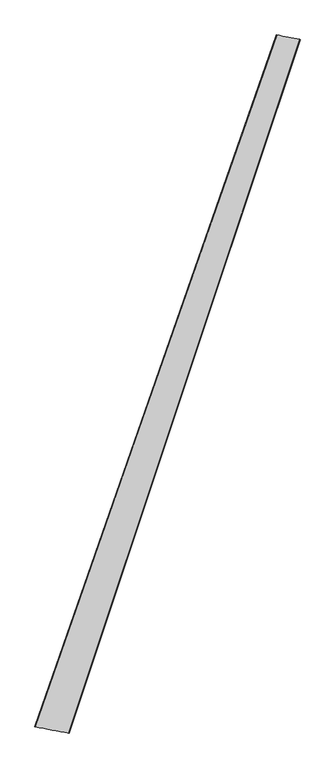
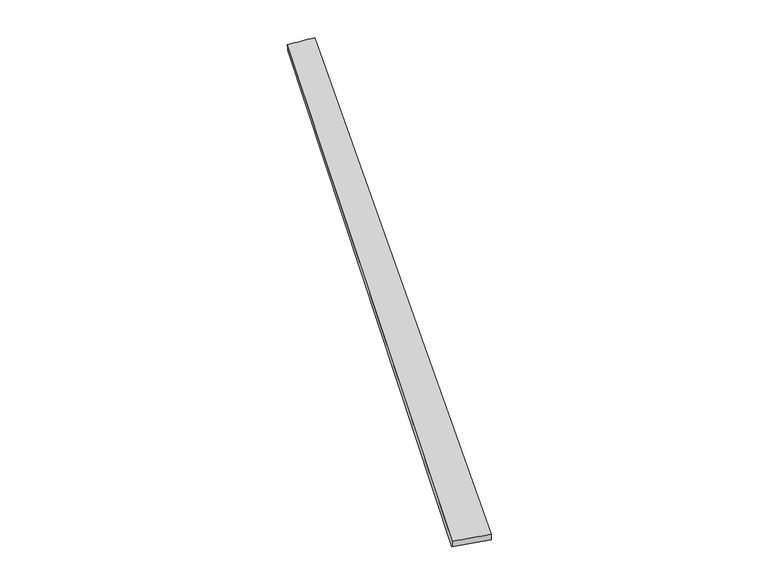
"""IFC4 building model written with IfcOpenShell, lengths in millimetres: proxy geometry."""

from ifc_helpers import new_model, si_unit, origin, place, context, project, spatial, source, transform, mapped, element, save
from ifc_brep_helpers import spline_surface, advanced_brep


def generic_models_5460bff3(model_context):
    return source(origin(), model_context, "Body", "AdvancedBrep", [
        advanced_brep(
        [(-676.568771, -1713.9742198, 3.0382452), (-675.5986242, -1714.2557885, 33.0212326), (664.7827157, 2124.392099, 25.4679127), (667.3293266, 2123.4422736, -4.4087103), (-486.9698771, -1748.5249594, 26.9471197), (795.7925749, 2099.0799852, 34.3820018), (-487.7989106, -1748.1899996, -3.0395525), (797.038355, 2098.7219457, 4.4100176)],
        [
            (0, 1),
            (1, 2),
            (2, 3),
            (3, 0),
            (1, 4),
            (4, 5),
            (5, 2),
            (4, 6),
            (6, 7),
            (7, 5),
            (6, 0),
            (3, 7),
        ],
        [
            spline_surface(1, 1, [[(-676.568771, -1713.9742198, 3.0382452), (667.3293266, 2123.4422736, -4.4087103)], [(-675.5986242, -1714.2557885, 33.0212326), (664.7827157, 2124.392099, 25.4679127)]], [2, 2], [2, 2], [0.0, 1.0], [0.0, 1.0]),
            spline_surface(1, 1, [[(-675.5986242, -1714.2557885, 33.0212326), (664.7827157, 2124.392099, 25.4679127)], [(-486.9698771, -1748.5249594, 26.9471197), (795.7925749, 2099.0799852, 34.3820018)]], [2, 2], [2, 2], [0.0, 1.0], [0.0, 1.0]),
            spline_surface(1, 1, [[(-486.9698771, -1748.5249594, 26.9471197), (795.7925749, 2099.0799852, 34.3820018)], [(-487.7989106, -1748.1899996, -3.0395525), (797.038355, 2098.7219457, 4.4100176)]], [2, 2], [2, 2], [0.0, 1.0], [0.0, 1.0]),
            spline_surface(1, 1, [[(-487.7989106, -1748.1899996, -3.0395525), (797.038355, 2098.7219457, 4.4100176)], [(-676.568771, -1713.9742198, 3.0382452), (667.3293266, 2123.4422736, -4.4087103)]], [2, 2], [2, 2], [0.0, 1.0], [0.0, 1.0]),
            spline_surface(1, 1, [[(664.7827157, 2124.392099, 25.4679127), (667.3293266, 2123.4422736, -4.4087103)], [(795.7925749, 2099.0799852, 34.3820018), (797.038355, 2098.7219457, 4.4100176)]], [2, 2], [2, 2], [0.0, 1.0], [0.0, 1.0]),
            spline_surface(1, 1, [[(-487.7989106, -1748.1899996, -3.0395525), (-676.568771, -1713.9742198, 3.0382452)], [(-486.9698771, -1748.5249594, 26.9471197), (-675.5986242, -1714.2557885, 33.0212326)]], [2, 2], [2, 2], [0.0, 1.0], [0.0, 1.0]),
        ],
        [
            (0, [[1, 2, 3, 4]]),
            (1, [[5, 6, 7, -2]]),
            (2, [[8, 9, 10, -6]]),
            (3, [[11, -4, 12, -9]]),
            (4, [[-3, -7, -10, -12]]),
            (5, [[-11, -8, -5, -1]]),
        ],
    ),
    ])


if __name__ == "__main__":
    model = new_model("IFC4")
    model_context = context("Model", 3, world=origin())
    ifc_project = project(units=[si_unit("LENGTHUNIT", "METRE", prefix="MILLI")], contexts=[model_context])
    site = spatial("IfcSite", under=ifc_project)
    building = spatial("IfcBuilding", under=site)
    placement = place(None, origin())
    generic_models_shape = generic_models_5460bff3(model_context)
    element("IfcBuildingElementProxy", 1, Name="Generic Models", at=placement, inside=building, context=model_context, shape_type="MappedRepresentation", body=[
        mapped(generic_models_shape, transform((0.0, 0.0, 0.0), x_axis=(1.0, 0.0, 0.0), y_axis=(0.0, 1.0, 0.0), z_axis=(0.0, 0.0, 1.0))),
    ])
    save(model, "model.ifc")
